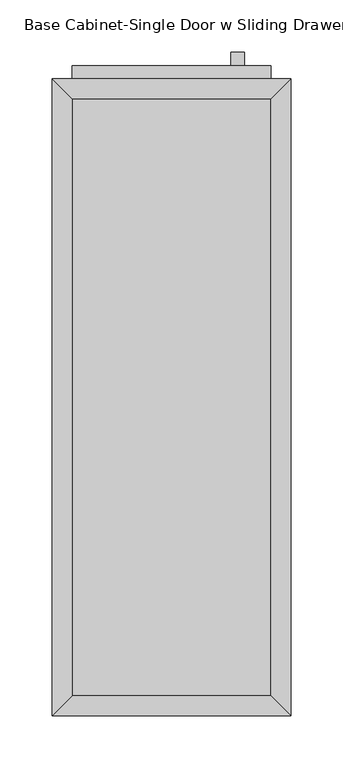
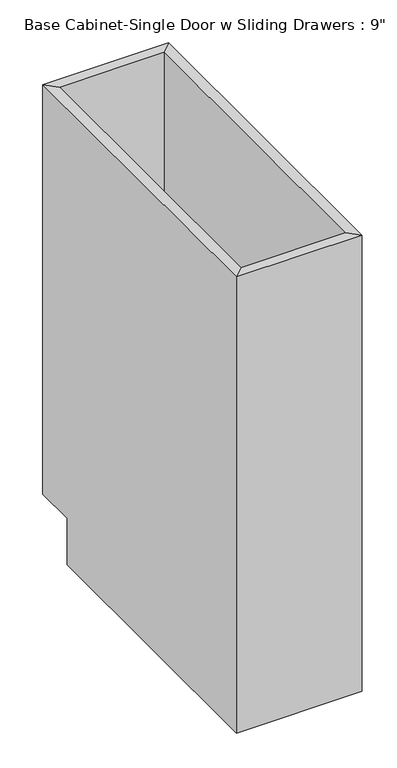
"""IFC4 building model written with IfcOpenShell, lengths in millimetres: furniture geometry."""

from ifc_helpers import new_model, si_unit, frame, origin, place, context, project, spatial, polyline, outline, extrude, faceted_brep, source, transform, mapped, element, save


def furniture_14ee2b4e(model_context):
    return source(origin(), model_context, "Body", "SolidModel", [
        faceted_brep([(113.9877049, 590.55, 876.3), (-76.5122951, 590.55, 876.3), (-76.5122951, 590.55, 88.9), (113.9877049, 590.55, 88.9), (133.0377049, 609.6, 876.3), (-95.5622951, 609.6, 876.3), (133.0377049, 609.6, 88.9), (-95.5622951, 609.6, 88.9), (-76.5122951, 19.05, 876.3), (-76.5122951, 19.05, 88.9), (-76.5122951, 533.4, 88.9), (-95.5622951, 0.0, 876.3), (-95.5622951, 533.4, 88.9), (-95.5622951, 533.4, 0.0), (-95.5622951, 0.0, 0.0), (113.9877049, 19.05, 876.3), (113.9877049, 19.05, 88.9), (133.0377049, 0.0, 876.3), (133.0377049, 0.0, 0.0), (113.9877049, 533.4, 88.9), (133.0377049, 533.4, 0.0), (133.0377049, 533.4, 88.9)], [[[0, 1, 2, 3]], [[0, 4, 5, 1]], [[4, 6, 7, 5]], [[2, 7, 6, 3]], [[1, 8, 9, 10, 2]], [[5, 11, 8, 1]], [[7, 12, 13, 14, 11, 5]], [[2, 10, 12, 7]], [[8, 15, 16, 9]], [[11, 17, 15, 8]], [[14, 18, 17, 11]], [[3, 19, 16, 15, 0]], [[0, 15, 17, 4]], [[4, 17, 18, 20, 21, 6]], [[6, 21, 19, 3]], [[10, 9, 16, 19]], [[18, 14, 13, 20]], [[13, 12, 10, 19, 21, 20]]]),
        extrude(outline(polyline([(113.9877049, 19.05), (-76.5122951, 19.05), (-76.5122951, 590.55), (113.9877049, 590.55), (113.9877049, 19.05)])), frame((0.0, 0.0, 88.9), z_axis=(0.0, 0.0, 1.0), x_axis=(1.0, 0.0, 0.0)), (0.0, 0.0, 1.0), 19.05),
        extrude(outline(polyline([(88.5877049, 635.0), (88.5877049, 622.3), (75.8877049, 622.3), (75.8877049, 635.0), (88.5877049, 635.0)])), frame((0.0, 0.0, 717.55), z_axis=(0.0, 0.0, 1.0), x_axis=(1.0, 0.0, 0.0)), (0.0, 0.0, 1.0), 101.6),
        extrude(outline(polyline([(113.9877049, 622.3), (113.9877049, 609.6), (-76.5122951, 609.6), (-76.5122951, 622.3), (113.9877049, 622.3)])), frame((0.0, 0.0, 107.95), z_axis=(0.0, 0.0, 1.0), x_axis=(1.0, 0.0, 0.0)), (0.0, 0.0, 1.0), 749.3),
    ])


if __name__ == "__main__":
    model = new_model("IFC4")
    model_context = context("Model", 3, world=origin())
    ifc_project = project(units=[si_unit("LENGTHUNIT", "METRE", prefix="MILLI")], contexts=[model_context])
    site = spatial("IfcSite", under=ifc_project)
    building = spatial("IfcBuilding", under=site)
    placement = place(None, origin())
    furniture_shape = furniture_14ee2b4e(model_context)
    element("IfcFurniture", 1, ObjectType="Base Cabinet-Single Door w Sliding Drawers : 9\"", at=placement, inside=building, context=model_context, shape_type="MappedRepresentation", body=[
        mapped(furniture_shape, transform((0.0, 0.0, 0.0), x_axis=(1.0, 0.0, 0.0), y_axis=(0.0, 1.0, 0.0), z_axis=(0.0, 0.0, 1.0))),
    ])
    save(model, "model.ifc")
